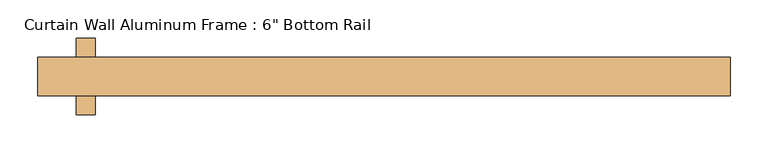
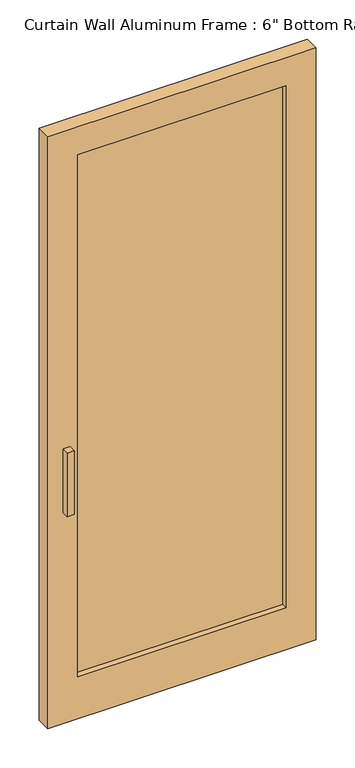
"""IFC4 building model written with IfcOpenShell, lengths in millimetres: door geometry."""

from ifc_helpers import new_model, si_unit, frame, origin, place, context, project, spatial, polyline, outline, extrude, source, transform, mapped, element, save


def door_3f5aaa7e(model_context):
    return source(origin(), model_context, "Body", "SweptSolid", [
        extrude(outline(polyline([(355.6, -6.35), (-355.6, -6.35), (-355.6, 6.35), (355.6, 6.35), (355.6, -6.35)])), frame((0.0, 0.0, 152.4), z_axis=(0.0, 0.0, 1.0), x_axis=(1.0, 0.0, 0.0)), (0.0, 0.0, 1.0), 1879.6),
        extrude(outline(polyline([(2133.6, -457.1092903), (0.0, -457.1092903), (0.0, 457.2), (2133.6, 457.2), (2133.6, -457.1092903)]), holes=[polyline([(2032.0, 355.6), (152.4, 355.6), (152.4, -355.6), (2032.0, -355.6), (2032.0, 355.6)])]), frame((0.0, -25.4, 0.0), z_axis=(0.0, 1.0, 0.0), x_axis=(0.0, 0.0, 1.0)), (0.0, 0.0, 1.0), 50.8),
        extrude(outline(polyline([(-381.0000001, -50.8), (-406.4000001, -50.8), (-406.4000001, 0.0), (-381.0000001, 0.0), (-381.0000001, -50.8)])), frame((0.0, 0.0, 762.0), z_axis=(0.0, 0.0, 1.0), x_axis=(1.0, 0.0, 0.0)), (0.0, 0.0, 1.0), 228.6),
        extrude(outline(polyline([(-406.4000001, 50.8), (-381.0000001, 50.8), (-381.0000001, 0.0), (-406.4000001, 0.0), (-406.4000001, 50.8)])), frame((0.0, 0.0, 762.0), z_axis=(0.0, 0.0, 1.0), x_axis=(1.0, 0.0, 0.0)), (0.0, 0.0, 1.0), 228.6),
    ])


if __name__ == "__main__":
    model = new_model("IFC4")
    model_context = context("Model", 3, world=origin())
    ifc_project = project(units=[si_unit("LENGTHUNIT", "METRE", prefix="MILLI")], contexts=[model_context])
    site = spatial("IfcSite", under=ifc_project)
    building = spatial("IfcBuilding", under=site)
    placement = place(None, origin())
    door_shape = door_3f5aaa7e(model_context)
    element("IfcDoor", 1, ObjectType="Curtain Wall Aluminum Frame : 6\" Bottom Rail", at=placement, inside=building, context=model_context, shape_type="MappedRepresentation", body=[
        mapped(door_shape, transform((0.0, 0.0, 0.0), x_axis=(1.0, 0.0, 0.0), y_axis=(0.0, 1.0, 0.0), z_axis=(0.0, 0.0, 1.0))),
    ])
    save(model, "model.ifc")
